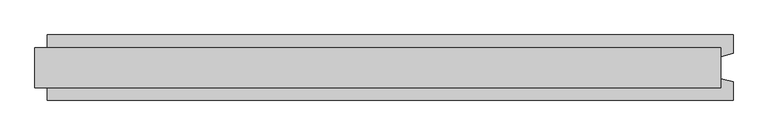
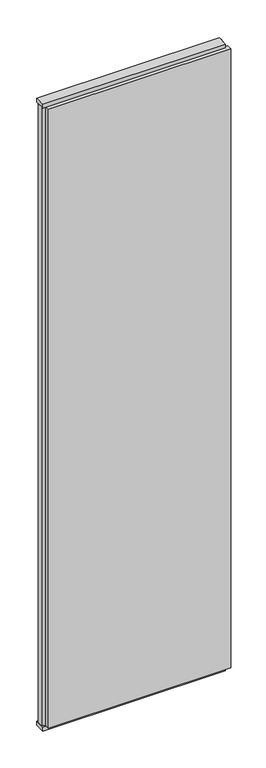
"""IFC4 building model written with IfcOpenShell, lengths in millimetres: plate geometry."""

from ifc_helpers import new_model, si_unit, frame, origin, origin_with_axes, place, context, project, spatial, polyline, outline, extrude, source, transform, mapped, element, save


def plate_8daef56d(model_context):
    return source(origin(), model_context, "Body", "SweptSolid", [
        extrude(outline(polyline([(570.5, 52.5), (570.5, 22.9993165), (550.5, 17.6401049), (550.5, -17.6401049), (570.5, -22.9993165), (570.5, -52.5), (-530.5, -52.5), (-530.5, -22.9993165), (-550.5, -17.6401049), (-550.5, 17.6401049), (-530.5, 22.9993165), (-530.5, 52.5), (570.5, 52.5)])), frame((0.0, 0.0, 25.0), z_axis=(0.0, 0.0, 1.0), x_axis=(1.0, 0.0, 0.0)), (0.0, 0.0, 1.0), 3950.0),
        extrude(outline(polyline([(550.5, 32.0), (550.5, -32.0), (-550.5, -32.0), (-550.5, 32.0), (550.5, 32.0)])), origin_with_axes(), (0.0, 0.0, 1.0), 25.0),
        extrude(outline(polyline([(550.5, 32.0), (550.5, -32.0), (-550.5, -32.0), (-550.5, 32.0), (550.5, 32.0)])), frame((0.0, 0.0, 3975.0), z_axis=(0.0, 0.0, 1.0), x_axis=(1.0, 0.0, 0.0)), (0.0, 0.0, 1.0), 25.0),
    ])


if __name__ == "__main__":
    model = new_model("IFC4")
    model_context = context("Model", 3, world=origin())
    ifc_project = project(units=[si_unit("LENGTHUNIT", "METRE", prefix="MILLI")], contexts=[model_context])
    site = spatial("IfcSite", under=ifc_project)
    building = spatial("IfcBuilding", under=site)
    placement = place(None, origin())
    plate_shape = plate_8daef56d(model_context)
    element("IfcPlate", 1, at=placement, inside=building, context=model_context, shape_type="MappedRepresentation", body=[
        mapped(plate_shape, transform((0.0, 0.0, 0.0), x_axis=(1.0, 0.0, 0.0), y_axis=(0.0, 1.0, 0.0), z_axis=(0.0, 0.0, 1.0))),
    ])
    save(model, "model.ifc")
